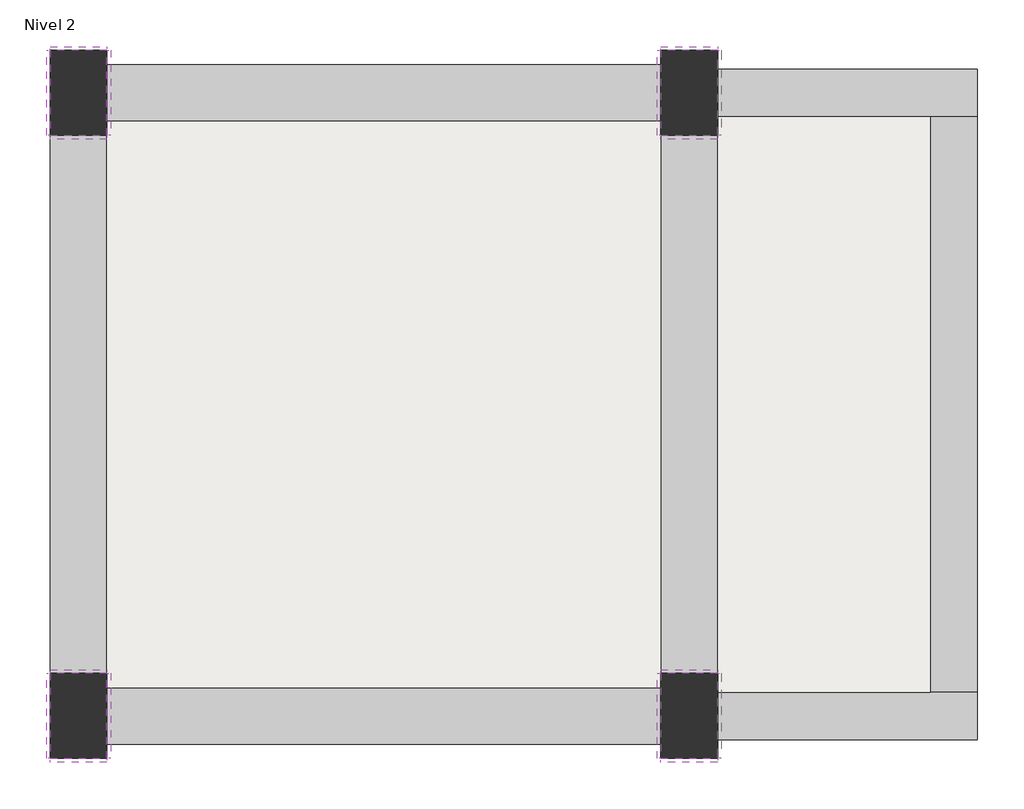
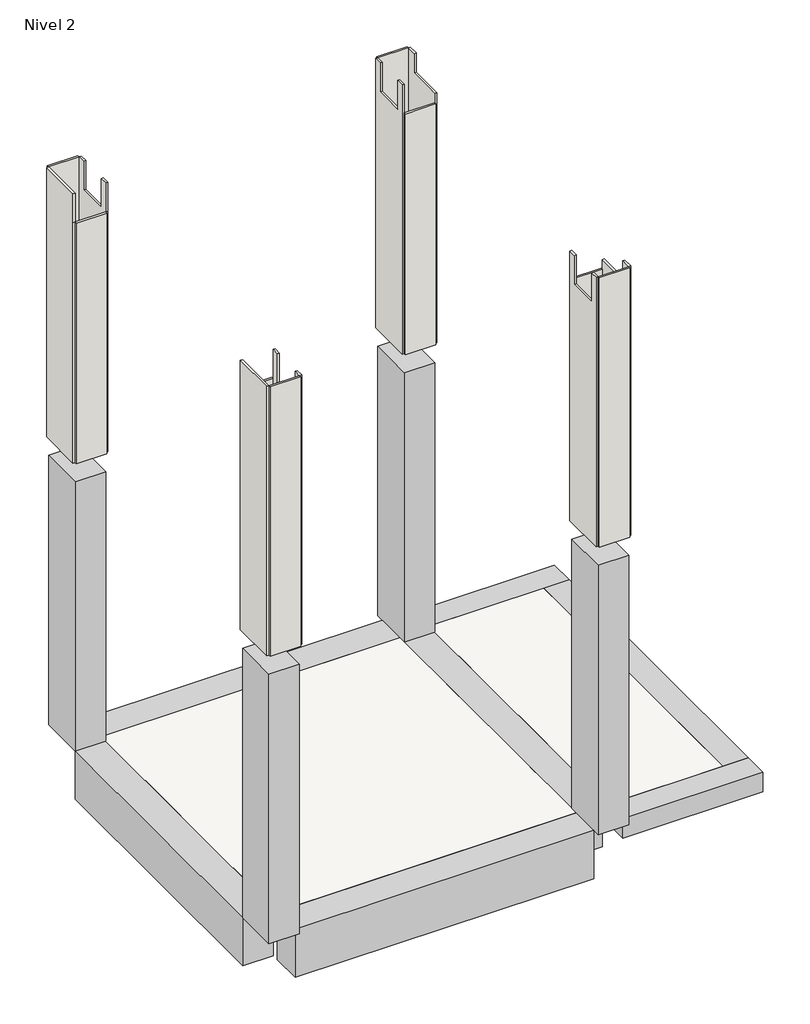
# One storey: 16 walls, 7 beams, 4 columns, 2 slabs.
"""IFC4 building model written with IfcOpenShell, lengths in millimetres."""

from ifc_helpers import new_model, si_unit, frame, origin, place, context, project, spatial, polyline, outline, extrude, faceted_brep, element, save

model = new_model("IFC4")

# Units and contexts
model_context = context("Model", 3, world=origin())
ifc_project = project(units=[si_unit("LENGTHUNIT", "METRE", prefix="MILLI")], contexts=[model_context])

# Site, building, storey
site = spatial("IfcSite", under=ifc_project)
building = spatial("IfcBuilding", under=site)
storey = spatial("IfcBuildingStorey", under=building, Name="Nivel 2", Elevation=3000.0)

# Beams
placement = place(None, origin())
element("IfcBeam", 1, ObjectType="0.20x0.25", at=placement, inside=storey, context=model_context, shape_type="Brep", body=[
    faceted_brep([(1485.6448711, 1937.8674421, 3000.0), (1485.6448711, 2187.8674421, 3000.0), (107.793962, 2187.8674421, 3000.0), (107.793962, 1937.8674421, 3000.0), (1235.6448711, 1937.8674421, 3000.0), (1485.6448711, 1937.8674421, 2800.0), (107.793962, 1937.8674421, 2800.0), (1235.6448711, 1937.8674421, 2800.0), (1485.6448711, 2187.8674421, 2800.0), (107.793962, 2187.8674421, 2800.0)], [[[0, 1, 2, 3, 4]], [[5, 0, 4, 3, 6, 7]], [[8, 5, 7, 6, 9]], [[1, 8, 9, 2]], [[3, 2, 9, 6]], [[1, 0, 5, 8]]]),
])
element("IfcBeam", 2, ObjectType="0.20x0.25", at=placement, inside=storey, context=model_context, shape_type="Brep", body=[
    faceted_brep([(1485.6448711, -1364.5074606, 3000.0), (1485.6448711, -1114.5074606, 3000.0), (1235.6448711, -1114.5074606, 3000.0), (107.793962, -1114.5074606, 3000.0), (107.793962, -1364.5074606, 3000.0), (1485.6448711, -1364.5074606, 2800.0), (107.793962, -1364.5074606, 2800.0), (1485.6448711, -1114.5074606, 2800.0), (107.793962, -1114.5074606, 2800.0), (1235.6448711, -1114.5074606, 2800.0)], [[[0, 1, 2, 3, 4]], [[5, 0, 4, 6]], [[7, 5, 6, 8, 9]], [[1, 7, 9, 8, 3, 2]], [[4, 3, 8, 6]], [[1, 0, 5, 7]]]),
])
element("IfcBeam", 3, ObjectType="0.20x0.25", at=placement, inside=storey, context=model_context, shape_type="SweptSolid", body=[
    extrude(outline(polyline([(1235.6448711, 1937.8674421), (1485.6448711, 1937.8674421), (1485.6448711, -1114.5074606), (1235.6448711, -1114.5074606), (1235.6448711, 1937.8674421)])), frame((0.0, 0.0, 2800.0), z_axis=(0.0, 0.0, 1.0), x_axis=(1.0, 0.0, 0.0)), (0.0, 0.0, 1.0), 200.0),
])
element("IfcBeam", 4, ObjectType="0.30x0.50", at=placement, inside=storey, context=model_context, shape_type="SweptSolid", body=[
    extrude(outline(polyline([(-3128.8078166, 1912.8674421), (-3128.8078166, 2212.8674421), (-192.206038, 2212.8674421), (-192.206038, 1912.8674421), (-3128.8078166, 1912.8674421)])), frame((0.0, 0.0, 2500.0), z_axis=(0.0, 0.0, 1.0), x_axis=(1.0, 0.0, 0.0)), (0.0, 0.0, 1.0), 500.0),
])
element("IfcBeam", 5, ObjectType="0.30x0.50", at=placement, inside=storey, context=model_context, shape_type="SweptSolid", body=[
    extrude(outline(polyline([(-192.206038, 1837.8674421), (107.793962, 1837.8674421), (107.793962, -1014.5074606), (-192.206038, -1014.5074606), (-192.206038, 1837.8674421)])), frame((0.0, 0.0, 2500.0), z_axis=(0.0, 0.0, 1.0), x_axis=(1.0, 0.0, 0.0)), (0.0, 0.0, 1.0), 500.0),
])
element("IfcBeam", 6, ObjectType="0.30x0.50", at=placement, inside=storey, context=model_context, shape_type="SweptSolid", body=[
    extrude(outline(polyline([(-3128.8078166, -1389.5074606), (-3128.8078166, -1089.5074606), (-192.206038, -1089.5074606), (-192.206038, -1389.5074606), (-3128.8078166, -1389.5074606)])), frame((0.0, 0.0, 2500.0), z_axis=(0.0, 0.0, 1.0), x_axis=(1.0, 0.0, 0.0)), (0.0, 0.0, 1.0), 500.0),
])
element("IfcBeam", 7, ObjectType="0.30x0.50", at=placement, inside=storey, context=model_context, shape_type="SweptSolid", body=[
    extrude(outline(polyline([(-3128.8078166, -1014.5074606), (-3428.8078166, -1014.5074606), (-3428.8078166, 1837.8674421), (-3128.8078166, 1837.8674421), (-3128.8078166, -1014.5074606)])), frame((0.0, 0.0, 2500.0), z_axis=(0.0, 0.0, 1.0), x_axis=(1.0, 0.0, 0.0)), (0.0, 0.0, 1.0), 500.0),
])

# Columns
element("IfcColumn", 8, ObjectType="300 x 450 mm", at=placement, inside=storey, context=model_context, shape_type="SweptSolid", body=[
    extrude(outline(polyline([(-3128.8078166, -1014.5074606), (-3128.8078166, -1464.5074606), (-3428.8078166, -1464.5074606), (-3428.8078166, -1014.5074606), (-3128.8078166, -1014.5074606)])), frame((0.0, 0.0, 3000.0), z_axis=(0.0, 0.0, 1.0), x_axis=(1.0, 0.0, 0.0)), (0.0, 0.0, 1.0), 2800.0),
])
element("IfcColumn", 9, ObjectType="300 x 450 mm", at=placement, inside=storey, context=model_context, shape_type="SweptSolid", body=[
    extrude(outline(polyline([(-3128.8078166, 2287.8674421), (-3128.8078166, 1837.8674421), (-3428.8078166, 1837.8674421), (-3428.8078166, 2287.8674421), (-3128.8078166, 2287.8674421)])), frame((0.0, 0.0, 3000.0), z_axis=(0.0, 0.0, 1.0), x_axis=(1.0, 0.0, 0.0)), (0.0, 0.0, 1.0), 2800.0),
])
element("IfcColumn", 10, ObjectType="300 x 450 mm", at=placement, inside=storey, context=model_context, shape_type="SweptSolid", body=[
    extrude(outline(polyline([(107.793962, 2287.8674421), (107.793962, 1837.8674421), (-192.206038, 1837.8674421), (-192.206038, 2287.8674421), (107.793962, 2287.8674421)])), frame((0.0, 0.0, 3000.0), z_axis=(0.0, 0.0, 1.0), x_axis=(1.0, 0.0, 0.0)), (0.0, 0.0, 1.0), 2800.0),
])
element("IfcColumn", 11, ObjectType="300 x 450 mm", at=placement, inside=storey, context=model_context, shape_type="SweptSolid", body=[
    extrude(outline(polyline([(107.793962, -1014.5074606), (107.793962, -1464.5074606), (-192.206038, -1464.5074606), (-192.206038, -1014.5074606), (107.793962, -1014.5074606)])), frame((0.0, 0.0, 3000.0), z_axis=(0.0, 0.0, 1.0), x_axis=(1.0, 0.0, 0.0)), (0.0, 0.0, 1.0), 2800.0),
])

# Slabs
element("IfcSlab", 12, ObjectType="0.20", at=placement, inside=storey, context=model_context, shape_type="SweptSolid", body=[
    extrude(outline(polyline([(-3128.8078166, 1912.8674421), (-192.206038, 1912.8674421), (-192.206038, -1089.5074606), (-3128.8078166, -1089.5074606), (-3128.8078166, 1912.8674421)])), frame((0.0, 0.0, 2800.0), z_axis=(0.0, 0.0, 1.0), x_axis=(1.0, 0.0, 0.0)), (0.0, 0.0, 1.0), 200.0),
])
element("IfcSlab", 13, ObjectType="0.20", at=placement, inside=storey, context=model_context, shape_type="SweptSolid", body=[
    extrude(outline(polyline([(107.793962, 1937.8674421), (1235.6448711, 1937.8674421), (1235.6448711, -1114.5074606), (107.793962, -1114.5074606), (107.793962, 1937.8674421)])), frame((0.0, 0.0, 2800.0), z_axis=(0.0, 0.0, 1.0), x_axis=(1.0, 0.0, 0.0)), (0.0, 0.0, 1.0), 200.0),
])

# Walls
element("IfcWall", 14, at=placement, inside=storey, context=model_context, shape_type="SweptSolid", body=[
    extrude(outline(polyline([(-3448.8078166, -1464.5074606), (-3448.8078166, -1014.5074606), (-3428.8078166, -1014.5074606), (-3428.8078166, -1464.5074606), (-3448.8078166, -1464.5074606)])), frame((0.0, 0.0, 6000.0), z_axis=(0.0, 0.0, 1.0), x_axis=(1.0, 0.0, 0.0)), (0.0, 0.0, 1.0), 2800.0),
])
element("IfcWall", 15, at=placement, inside=storey, context=model_context, shape_type="SweptSolid", body=[
    extrude(outline(polyline([(-3128.8078166, -1484.5074606), (-3428.8078166, -1484.5074606), (-3428.8078166, -1464.5074606), (-3128.8078166, -1464.5074606), (-3128.8078166, -1484.5074606)])), frame((0.0, 0.0, 6000.0), z_axis=(0.0, 0.0, 1.0), x_axis=(1.0, 0.0, 0.0)), (0.0, 0.0, 1.0), 2800.0),
])
element("IfcWall", 16, at=placement, inside=storey, context=model_context, shape_type="SweptSolid", body=[
    extrude(outline(polyline([(-3428.8078166, -994.5074606), (-3128.8078166, -994.5074606), (-3128.8078166, -1014.5074606), (-3428.8078166, -1014.5074606), (-3428.8078166, -994.5074606)])), frame((0.0, 0.0, 6000.0), z_axis=(0.0, 0.0, 1.0), x_axis=(1.0, 0.0, 0.0)), (0.0, 0.0, 1.0), 2500.0),
])
element("IfcWall", 17, at=placement, inside=storey, context=model_context, shape_type="SweptSolid", body=[
    extrude(outline(polyline([(-1089.5074606, 8800.0), (-1014.5074606, 8800.0), (-1014.5074606, 6000.0), (-1464.5074606, 6000.0), (-1464.5074606, 8800.0), (-1389.5074606, 8800.0), (-1389.5074606, 8500.0), (-1089.5074606, 8500.0), (-1089.5074606, 8800.0)])), frame((-3128.8078166, 0.0, 0.0), z_axis=(1.0, 0.0, 0.0), x_axis=(0.0, 1.0, 0.0)), (0.0, 0.0, 1.0), 20.0),
])
element("IfcWall", 18, at=placement, inside=storey, context=model_context, shape_type="SweptSolid", body=[
    extrude(outline(polyline([(1837.8674421, 8800.0), (2287.8674421, 8800.0), (2287.8674421, 6000.0), (1837.8674421, 6000.0), (1837.8674421, 8500.0), (1837.8674421, 8800.0)])), frame((-3448.8078166, 0.0, 0.0), z_axis=(1.0, 0.0, 0.0), x_axis=(0.0, 1.0, 0.0)), (0.0, 0.0, 1.0), 20.0),
])
element("IfcWall", 19, at=placement, inside=storey, context=model_context, shape_type="SweptSolid", body=[
    extrude(outline(polyline([(-3128.8078166, 1817.8674421), (-3428.8078166, 1817.8674421), (-3428.8078166, 1837.8674421), (-3128.8078166, 1837.8674421), (-3128.8078166, 1817.8674421)])), frame((0.0, 0.0, 6000.0), z_axis=(0.0, 0.0, 1.0), x_axis=(1.0, 0.0, 0.0)), (0.0, 0.0, 1.0), 2500.0),
])
element("IfcWall", 20, at=placement, inside=storey, context=model_context, shape_type="SweptSolid", body=[
    extrude(outline(polyline([(-3428.8078166, 2307.8674421), (-3128.8078166, 2307.8674421), (-3128.8078166, 2287.8674421), (-3428.8078166, 2287.8674421), (-3428.8078166, 2307.8674421)])), frame((0.0, 0.0, 6000.0), z_axis=(0.0, 0.0, 1.0), x_axis=(1.0, 0.0, 0.0)), (0.0, 0.0, 1.0), 2800.0),
])
element("IfcWall", 21, at=placement, inside=storey, context=model_context, shape_type="SweptSolid", body=[
    extrude(outline(polyline([(2212.8674421, 8800.0), (2287.8674421, 8800.0), (2287.8674421, 6000.0), (1837.8674421, 6000.0), (1837.8674421, 8500.0), (1837.8674421, 8800.0), (1912.8674421, 8800.0), (1912.8674421, 8500.0), (2212.8674421, 8500.0), (2212.8674421, 8800.0)])), frame((-3128.8078166, 0.0, 0.0), z_axis=(1.0, 0.0, 0.0), x_axis=(0.0, 1.0, 0.0)), (0.0, 0.0, 1.0), 20.0),
])
element("IfcWall", 22, at=placement, inside=storey, context=model_context, shape_type="SweptSolid", body=[
    extrude(outline(polyline([(1912.8674421, 8800.0), (1912.8674421, 8500.0), (2212.8674421, 8500.0), (2212.8674421, 8800.0), (2287.8674421, 8800.0), (2287.8674421, 6000.0), (1837.8674421, 6000.0), (1837.8674421, 8800.0), (1912.8674421, 8800.0)])), frame((-212.206038, 0.0, 0.0), z_axis=(1.0, 0.0, 0.0), x_axis=(0.0, 1.0, 0.0)), (0.0, 0.0, 1.0), 20.0),
])
element("IfcWall", 23, at=placement, inside=storey, context=model_context, shape_type="SweptSolid", body=[
    extrude(outline(polyline([(107.793962, 1817.8674421), (-192.206038, 1817.8674421), (-192.206038, 1837.8674421), (107.793962, 1837.8674421), (107.793962, 1817.8674421)])), frame((0.0, 0.0, 6000.0), z_axis=(0.0, 0.0, 1.0), x_axis=(1.0, 0.0, 0.0)), (0.0, 0.0, 1.0), 2500.0),
])
element("IfcWall", 24, at=placement, inside=storey, context=model_context, shape_type="SweptSolid", body=[
    extrude(outline(polyline([(-192.206038, 2307.8674421), (107.793962, 2307.8674421), (107.793962, 2287.8674421), (-192.206038, 2287.8674421), (-192.206038, 2307.8674421)])), frame((0.0, 0.0, 6000.0), z_axis=(0.0, 0.0, 1.0), x_axis=(1.0, 0.0, 0.0)), (0.0, 0.0, 1.0), 2800.0),
])
element("IfcWall", 25, at=placement, inside=storey, context=model_context, shape_type="SweptSolid", body=[
    extrude(outline(polyline([(2187.8674421, 8800.0), (2287.8674421, 8800.0), (2287.8674421, 6000.0), (1837.8674421, 6000.0), (1837.8674421, 8600.0), (2187.8674421, 8600.0), (2187.8674421, 8800.0)])), frame((107.793962, 0.0, 0.0), z_axis=(1.0, 0.0, 0.0), x_axis=(0.0, 1.0, 0.0)), (0.0, 0.0, 1.0), 20.0),
])
element("IfcWall", 26, at=placement, inside=storey, context=model_context, shape_type="SweptSolid", body=[
    extrude(outline(polyline([(-1089.5074606, 8500.0), (-1089.5074606, 8800.0), (-1014.5074606, 8800.0), (-1014.5074606, 8500.0), (-1014.5074606, 6000.0), (-1464.5074606, 6000.0), (-1464.5074606, 8800.0), (-1389.5074606, 8800.0), (-1389.5074606, 8500.0), (-1089.5074606, 8500.0)])), frame((-212.206038, 0.0, 0.0), z_axis=(1.0, 0.0, 0.0), x_axis=(0.0, 1.0, 0.0)), (0.0, 0.0, 1.0), 20.0),
])
element("IfcWall", 27, at=placement, inside=storey, context=model_context, shape_type="SweptSolid", body=[
    extrude(outline(polyline([(107.793962, -1484.5074606), (-192.206038, -1484.5074606), (-192.206038, -1464.5074606), (107.793962, -1464.5074606), (107.793962, -1484.5074606)])), frame((0.0, 0.0, 6000.0), z_axis=(0.0, 0.0, 1.0), x_axis=(1.0, 0.0, 0.0)), (0.0, 0.0, 1.0), 2800.0),
])
element("IfcWall", 28, at=placement, inside=storey, context=model_context, shape_type="SweptSolid", body=[
    extrude(outline(polyline([(-192.206038, -994.5074606), (107.793962, -994.5074606), (107.793962, -1014.5074606), (-192.206038, -1014.5074606), (-192.206038, -994.5074606)])), frame((0.0, 0.0, 6000.0), z_axis=(0.0, 0.0, 1.0), x_axis=(1.0, 0.0, 0.0)), (0.0, 0.0, 1.0), 2500.0),
])
element("IfcWall", 29, at=placement, inside=storey, context=model_context, shape_type="SweptSolid", body=[
    extrude(outline(polyline([(-1364.5074606, 8600.0), (-1014.5074606, 8600.0), (-1014.5074606, 6000.0), (-1464.5074606, 6000.0), (-1464.5074606, 8800.0), (-1364.5074606, 8800.0), (-1364.5074606, 8600.0)])), frame((107.793962, 0.0, 0.0), z_axis=(1.0, 0.0, 0.0), x_axis=(0.0, 1.0, 0.0)), (0.0, 0.0, 1.0), 20.0),
])

save(model, "model.ifc")
